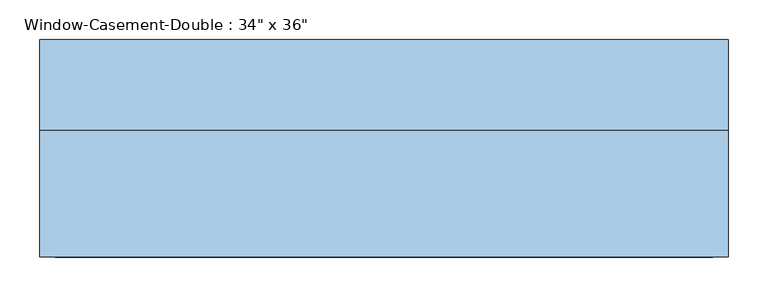
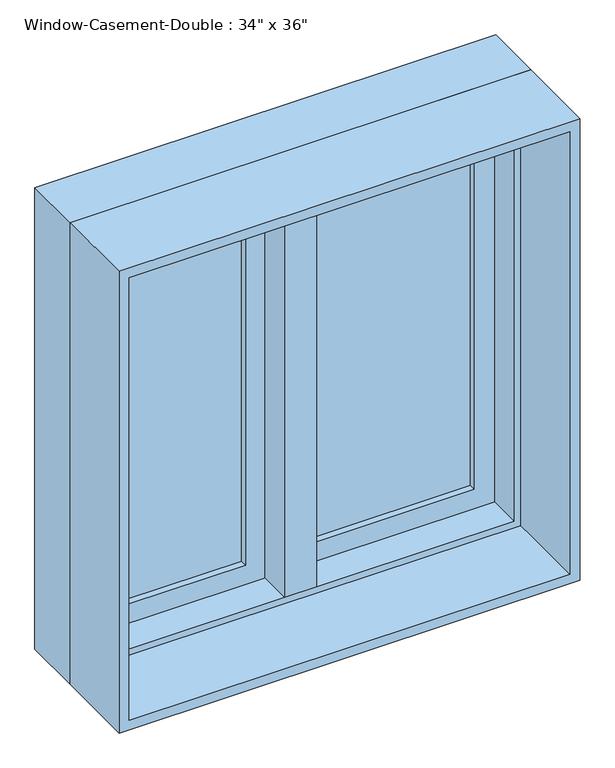
"""IFC4 building model written with IfcOpenShell, lengths in millimetres: window geometry."""

import ifcopenshell
import ifcopenshell.guid

model = None  # the IFC model being written
_history = None  # IfcOwnerHistory: only IFC2X3 demands one
_inside = {}  # id of a spatial element -> (the spatial element, [elements in it])
_under = {}  # id of a project, library or spatial element -> (it, [spatial elements below it])
_declared = {}  # id of a project -> (the project, [libraries it declares])
_typed = {}  # id of a type object -> (the type object, [elements of that type])
_made_of = {}  # id of a material, layer set ... -> (it, [elements and type objects made of it])


def new_model(schema):
    """Start an empty IFC model of exactly this schema.

    Asked for "IFC4X3", IfcOpenShell would pick the latest addendum, in which some entities
    have other attributes; the version numbers below select the first issue.
    IFC2X3 requires an IfcOwnerHistory on every rooted entity: one is made here for all.
    """
    global model, _history
    if schema == "IFC4X3":
        model = ifcopenshell.file(schema_version=(4, 3, 0, 0))
    else:
        model = ifcopenshell.file(schema=schema)
    _inside.clear()
    _under.clear()
    _declared.clear()
    _typed.clear()
    _made_of.clear()
    _history = None
    if model.schema == "IFC2X3":
        org = make("IfcOrganization", Name="unknown")
        user = make(
            "IfcPersonAndOrganization",
            ThePerson=make("IfcPerson", FamilyName="unknown"),
            TheOrganization=org,
        )
        app = make(
            "IfcApplication",
            ApplicationDeveloper=org,
            Version="unknown",
            ApplicationFullName="unknown",
            ApplicationIdentifier="unknown",
        )
        _history = make(
            "IfcOwnerHistory",
            OwningUser=user,
            OwningApplication=app,
            ChangeAction="ADDED",
            CreationDate=0,
        )
    return model


def make(cls, **values):
    """One entity of the class cls with the attributes given. An attribute that is None is left unset."""
    return model.create_entity(
        cls, **{name: value for name, value in values.items() if value is not None}
    )


def rooted(cls, **values):
    """An entity with a GlobalId (a new one), such as an element, a storey or a relation."""
    return make(cls, GlobalId=ifcopenshell.guid.new(), OwnerHistory=_history, **values)


def si_unit(unit_type, name, prefix=None):
    """IfcSIUnit, for example si_unit("LENGTHUNIT", "METRE", prefix="MILLI")."""
    return make("IfcSIUnit", UnitType=unit_type, Prefix=prefix, Name=name)


def assignment(units):
    """IfcUnitAssignment: the units of a project."""
    return None if units is None else make("IfcUnitAssignment", Units=units)


def point(xyz):
    """IfcCartesianPoint."""
    return None if xyz is None else make("IfcCartesianPoint", Coordinates=xyz)


def direction(xyz):
    """IfcDirection."""
    return None if xyz is None else make("IfcDirection", DirectionRatios=xyz)


def frame(location, z_axis=None, x_axis=None):
    """IfcAxis2Placement3D, a coordinate frame: its origin and axes. An axis left out is left unset."""
    return make(
        "IfcAxis2Placement3D",
        Location=point(location),
        Axis=direction(z_axis),
        RefDirection=direction(x_axis),
    )


def origin():
    """The frame at (0, 0, 0) with its axes left unset."""
    return frame((0.0, 0.0, 0.0))


def place(relative_to, where):
    """IfcLocalPlacement: puts the frame where relative to a parent placement (None: the world)."""
    return make(
        "IfcLocalPlacement", PlacementRelTo=relative_to, RelativePlacement=where
    )


def context(
    kind, dimensions, precision=None, world=None, true_north=None, identifier=None
):
    """IfcGeometricRepresentationContext, for example the 3D "Model" context."""
    return make(
        "IfcGeometricRepresentationContext",
        ContextIdentifier=identifier,
        ContextType=kind,
        CoordinateSpaceDimension=dimensions,
        Precision=precision,
        WorldCoordinateSystem=world,
        TrueNorth=true_north,
    )


def project(units=None, contexts=None):
    """IfcProject with its units and contexts."""
    return rooted(
        "IfcProject",
        Name="project",
        RepresentationContexts=contexts,
        UnitsInContext=assignment(units),
    )


def spatial(cls, under=None, at=None, **own):
    """A site, building, storey or space (cls), placed at a placement, below another one or the project."""
    s = rooted(cls, ObjectPlacement=at, **own)
    if under is not None:
        _under.setdefault(under.id(), (under, []))[1].append(s)
    return s


def polyline(points):
    """IfcPolyline through the points."""
    return make("IfcPolyline", Points=[point(p) for p in points])


def outline(outer, holes=None, kind="AREA"):
    """IfcArbitraryClosedProfileDef: a profile drawn as a closed curve; with holes, ...WithVoids."""
    if holes is None:
        return make("IfcArbitraryClosedProfileDef", ProfileType=kind, OuterCurve=outer)
    return make(
        "IfcArbitraryProfileDefWithVoids",
        ProfileType=kind,
        OuterCurve=outer,
        InnerCurves=holes,
    )


def extrude(swept, where, along, depth):
    """IfcExtrudedAreaSolid: the profile swept, set in the frame where, extruded along a direction by depth."""
    return make(
        "IfcExtrudedAreaSolid",
        SweptArea=swept,
        Position=where,
        ExtrudedDirection=direction(along),
        Depth=depth,
    )


def faces_of(points, faces, orient=None, outer=None):
    """IfcFace entities. A face is a list of loops; a loop is a list of indices into points, from 0.

    orient and outer hold one flag for each loop. By default every Orientation is true, the
    first loop of a face is its IfcFaceOuterBound and the others are IfcFaceBound.
    """
    made = []
    for i, loops in enumerate(faces):
        bounds = []
        for j, loop in enumerate(loops):
            is_outer = j == 0 if outer is None else outer[i][j]
            bounds.append(
                make(
                    "IfcFaceOuterBound" if is_outer else "IfcFaceBound",
                    Bound=make("IfcPolyLoop", Polygon=[points[k] for k in loop]),
                    Orientation=True if orient is None else orient[i][j],
                )
            )
        made.append(make("IfcFace", Bounds=bounds))
    return made


def faceted_brep(points, faces, orient=None, outer=None, voids=None):
    """IfcFacetedBrep: a solid bounded by flat faces; with voids (closed shells), ...WithVoids."""
    shared = [point(p) for p in points]
    hull = make("IfcClosedShell", CfsFaces=faces_of(shared, faces, orient, outer))
    if voids is None:
        return make("IfcFacetedBrep", Outer=hull)
    return make(
        "IfcFacetedBrepWithVoids",
        Outer=hull,
        Voids=[
            make(cls, CfsFaces=faces_of(shared, fs, o, b)) for cls, fs, o, b in voids
        ],
    )


def shape(context_of_items, identifier, shape_type, items):
    """IfcShapeRepresentation: the items that make up one representation, for example the "Body"."""
    return make(
        "IfcShapeRepresentation",
        ContextOfItems=context_of_items,
        RepresentationIdentifier=identifier,
        RepresentationType=shape_type,
        Items=items,
    )


def source(mapping_origin, context_of_items, identifier, shape_type, items):
    """IfcRepresentationMap: a shape defined once, which mapped items show again and again."""
    return make(
        "IfcRepresentationMap",
        MappingOrigin=mapping_origin,
        MappedRepresentation=shape(context_of_items, identifier, shape_type, items),
    )


def transform(
    local_origin,
    x_axis=None,
    y_axis=None,
    z_axis=None,
    scale=None,
    scale2=None,
    scale3=None,
    uniform=True,
):
    """IfcCartesianTransformationOperator3D, or its non-uniform kind. x_axis, y_axis, z_axis: its Axis1, 2, 3."""
    if uniform:
        return make(
            "IfcCartesianTransformationOperator3D",
            Axis1=direction(x_axis),
            Axis2=direction(y_axis),
            LocalOrigin=point(local_origin),
            Scale=scale,
            Axis3=direction(z_axis),
        )
    return make(
        "IfcCartesianTransformationOperator3DnonUniform",
        Axis1=direction(x_axis),
        Axis2=direction(y_axis),
        LocalOrigin=point(local_origin),
        Scale=scale,
        Axis3=direction(z_axis),
        Scale2=scale2,
        Scale3=scale3,
    )


def mapped(mapping_source, mapping_target):
    """IfcMappedItem: shows the shape of a source again, moved by a transform."""
    return make(
        "IfcMappedItem", MappingSource=mapping_source, MappingTarget=mapping_target
    )


def made_of(thing, what):
    """Note that an element or type object is made of a material, layer set ...; save() writes the relation."""
    if what is not None:
        _made_of.setdefault(what.id(), (what, []))[1].append(thing)
    return thing


def element(
    cls,
    number,
    at=None,
    inside=None,
    cuts=None,
    type_object=None,
    material=None,
    context=None,
    identifier="Body",
    shape_type=None,
    held_by="IfcProductDefinitionShape",
    body=None,
    shapes=None,
    **own,
):
    """One element of the class cls, such as IfcWall. Its Tag is "e" and its number.

    at: its placement. inside: the storey or other place that contains it. cuts: it is an
    opening in that element (IfcRelVoidsElement). A single representation is given by context,
    identifier, shape_type and body (its items); several are given by shapes. held_by: the class
    of the entity that holds the representations. save() writes the other relations.
    """
    e = rooted(cls, Tag="e%d" % number, ObjectPlacement=at, **own)
    if body is not None:
        shapes = [shape(context, identifier, shape_type, body)]
    if shapes is not None:
        e.Representation = make(held_by, Representations=shapes)
    if inside is not None:
        _inside.setdefault(inside.id(), (inside, []))[1].append(e)
    if cuts is not None:
        rooted(
            "IfcRelVoidsElement", RelatingBuildingElement=cuts, RelatedOpeningElement=e
        )
    if type_object is not None:
        _typed.setdefault(type_object.id(), (type_object, []))[1].append(e)
    return made_of(e, material)


def aggregate(whole, parts):
    """IfcRelAggregates: a whole, such as a stair, and the parts it consists of."""
    return rooted("IfcRelAggregates", RelatingObject=whole, RelatedObjects=parts)


def save(model, path):
    """Write the relations noted so far, then the file.

    IfcRelAggregates (storeys below a building ...), IfcRelContainedInSpatialStructure (elements
    in a storey), IfcRelDefinesByType, IfcRelAssociatesMaterial and IfcRelDeclares: one each for
    every whole, place, type object, material and project.
    """
    for whole, parts in _under.values():
        aggregate(whole, parts)
    for where, things in _inside.values():
        rooted(
            "IfcRelContainedInSpatialStructure",
            RelatedElements=things,
            RelatingStructure=where,
        )
    for kind, things in _typed.values():
        rooted("IfcRelDefinesByType", RelatedObjects=things, RelatingType=kind)
    for what, things in _made_of.values():
        rooted("IfcRelAssociatesMaterial", RelatedObjects=things, RelatingMaterial=what)
    for by, libraries in _declared.values():
        rooted("IfcRelDeclares", RelatingContext=by, RelatedDefinitions=libraries)
    model.write(path)


def window_58b30e4a(model_context):
    return source(origin(), model_context, "Body", "SolidModel", [
        faceted_brep([(9.525, 146.05, 1816.1), (-9.525, 146.05, 1816.1), (-9.525, 95.25, 1816.1), (9.525, 95.25, 1816.1), (9.525, 146.05, 927.1), (9.525, 95.25, 927.1), (-9.525, 95.25, 927.1), (-9.525, 146.05, 927.1), (-9.525, 95.25, 946.15), (-9.525, 95.25, 1797.05), (-30.1625, 95.25, 946.15), (-30.1625, 95.25, 1797.05), (-30.1625, 31.75, 946.15), (-30.1625, 31.75, 1797.05), (30.1625, 31.75, 946.15), (30.1625, 31.75, 1797.05), (30.1625, 95.25, 946.15), (30.1625, 95.25, 1797.05), (9.525, 95.25, 946.15), (9.525, 95.25, 1797.05)], [[[0, 1, 2, 3]], [[4, 5, 6, 7]], [[1, 0, 4, 7]], [[2, 1, 7, 6, 8, 9]], [[9, 8, 10, 11]], [[11, 10, 12, 13]], [[13, 12, 14, 15]], [[15, 14, 16, 17]], [[17, 16, 18, 19]], [[0, 3, 19, 18, 5, 4]], [[18, 8, 6, 5]], [[9, 19, 3, 2]], [[8, 18, 16, 14, 12, 10]], [[19, 9, 11, 13, 15, 17]]]),
        extrude(outline(polyline([(-66.675, 127.0), (-66.675, 120.65), (-361.95, 120.65), (-361.95, 127.0), (-66.675, 127.0)])), frame((0.0, 0.0, 984.25), z_axis=(0.0, 0.0, 1.0), x_axis=(1.0, 0.0, 0.0)), (0.0, 0.0, 1.0), 774.7),
        extrude(outline(polyline([(-361.95, 107.95), (-361.95, 114.3), (-66.675, 114.3), (-66.675, 107.95), (-361.95, 107.95)])), frame((0.0, 0.0, 984.25), z_axis=(0.0, 0.0, 1.0), x_axis=(1.0, 0.0, 0.0)), (0.0, 0.0, 1.0), 774.7),
        extrude(outline(polyline([(361.95, 127.0), (361.95, 120.65), (66.675, 120.65), (66.675, 127.0), (361.95, 127.0)])), frame((0.0, 0.0, 984.25), z_axis=(0.0, 0.0, 1.0), x_axis=(1.0, 0.0, 0.0)), (0.0, 0.0, 1.0), 774.7),
        extrude(outline(polyline([(66.675, 107.95), (66.675, 114.3), (361.95, 114.3), (361.95, 107.95), (66.675, 107.95)])), frame((0.0, 0.0, 984.25), z_axis=(0.0, 0.0, 1.0), x_axis=(1.0, 0.0, 0.0)), (0.0, 0.0, 1.0), 774.7),
        extrude(outline(polyline([(1816.1, -419.1), (927.1, -419.1), (927.1, -9.525), (1816.1, -9.525), (1816.1, -419.1)]), holes=[polyline([(1758.95, -66.675), (984.25, -66.675), (984.25, -361.95), (1758.95, -361.95), (1758.95, -66.675)])]), frame((0.0, 95.25, 0.0), z_axis=(0.0, 1.0, 0.0), x_axis=(0.0, 0.0, 1.0)), (0.0, 0.0, 1.0), 44.45),
        extrude(outline(polyline([(927.1, 419.1), (1816.1, 419.1), (1816.1, 9.525), (927.1, 9.525), (927.1, 419.1)]), holes=[polyline([(984.25, 66.675), (1758.95, 66.675), (1758.95, 361.95), (984.25, 361.95), (984.25, 66.675)])]), frame((0.0, 95.25, 0.0), z_axis=(0.0, 1.0, 0.0), x_axis=(0.0, 0.0, 1.0)), (0.0, 0.0, 1.0), 44.45),
        extrude(outline(polyline([(1828.8, -431.8), (914.4, -431.8), (914.4, 431.8), (1828.8, 431.8), (1828.8, -431.8)]), holes=[polyline([(1809.75, 412.75), (933.45, 412.75), (933.45, -412.75), (1809.75, -412.75), (1809.75, 412.75)])]), frame((0.0, -127.0, 0.0), z_axis=(0.0, 1.0, 0.0), x_axis=(0.0, 0.0, 1.0)), (0.0, 0.0, 1.0), 158.75),
        faceted_brep([(400.05, 95.25, 1797.05), (400.05, 31.75, 1797.05), (-400.05, 31.75, 1797.05), (-400.05, 95.25, 1797.05), (419.1, 146.05, 1816.1), (419.1, 95.25, 1816.1), (-419.1, 95.25, 1816.1), (-419.1, 146.05, 1816.1), (431.8, 31.75, 1828.8), (431.8, 146.05, 1828.8), (-431.8, 146.05, 1828.8), (-431.8, 31.75, 1828.8), (-400.05, 31.75, 946.15), (-400.05, 95.25, 946.15), (-419.1, 95.25, 927.1), (-419.1, 146.05, 927.1), (-431.8, 146.05, 914.4), (-431.8, 31.75, 914.4), (400.05, 31.75, 946.15), (400.05, 95.25, 946.15), (419.1, 95.25, 927.1), (419.1, 146.05, 927.1), (431.8, 146.05, 914.4), (431.8, 31.75, 914.4)], [[[0, 1, 2, 3]], [[4, 5, 6, 7]], [[8, 9, 10, 11]], [[3, 2, 12, 13]], [[7, 6, 14, 15]], [[11, 10, 16, 17]], [[13, 12, 18, 19]], [[15, 14, 20, 21]], [[17, 16, 22, 23]], [[11, 17, 23, 8], [1, 18, 12, 2]], [[19, 18, 1, 0]], [[5, 20, 14, 6], [3, 13, 19, 0]], [[21, 20, 5, 4]], [[23, 22, 9, 8]], [[9, 22, 16, 10], [7, 15, 21, 4]]]),
    ])


if __name__ == "__main__":
    model = new_model("IFC4")
    model_context = context("Model", 3, world=origin())
    ifc_project = project(units=[si_unit("LENGTHUNIT", "METRE", prefix="MILLI")], contexts=[model_context])
    site = spatial("IfcSite", under=ifc_project)
    building = spatial("IfcBuilding", under=site)
    placement = place(None, origin())
    window_shape = window_58b30e4a(model_context)
    element("IfcWindow", 1, ObjectType="Window-Casement-Double : 34\" x 36\"", at=placement, inside=building, context=model_context, shape_type="MappedRepresentation", body=[
        mapped(window_shape, transform((0.0, 0.0, 0.0), x_axis=(1.0, 0.0, 0.0), y_axis=(0.0, 1.0, 0.0), z_axis=(0.0, 0.0, 1.0))),
    ])
    save(model, "model.ifc")
